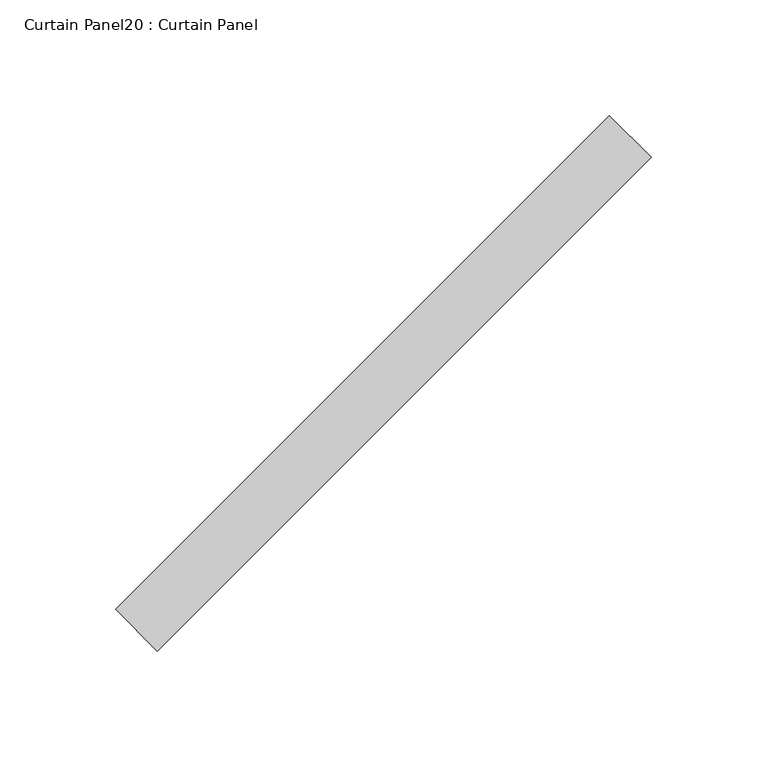
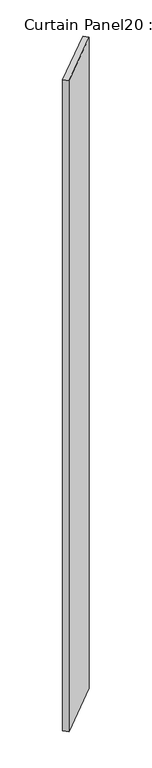
"""IFC4 building model written with IfcOpenShell, lengths in millimetres: plate geometry, Curtain Panel20 : Curtain Panel."""

from ifc_helpers import new_model, si_unit, frame, origin, place, context, project, spatial, polyline, outline, extrude, source, transform, mapped, element, save


def curtain_panel20_curtain_panel_ccedead5(model_context):
    return source(origin(), model_context, "Body", "SweptSolid", [
        extrude(outline(polyline([(63570.6621907, 2915.4091825), (63357.3811879, 2702.1281796), (63339.4206757, 2720.0886919), (63552.7016785, 2933.3696947), (63570.6621907, 2915.4091825)])), frame((0.0, 0.0, -994.8126169), z_axis=(0.0, 0.0, 1.0), x_axis=(1.0, 0.0, 0.0)), (0.0, 0.0, 1.0), 3048.0),
    ])


if __name__ == "__main__":
    model = new_model("IFC4")
    model_context = context("Model", 3, world=origin())
    ifc_project = project(units=[si_unit("LENGTHUNIT", "METRE", prefix="MILLI")], contexts=[model_context])
    site = spatial("IfcSite", under=ifc_project)
    building = spatial("IfcBuilding", under=site)
    placement = place(None, origin())
    curtain_panel20_curtain_panel_shape = curtain_panel20_curtain_panel_ccedead5(model_context)
    element("IfcPlate", 1, ObjectType="Curtain Panel20 : Curtain Panel", at=placement, inside=building, context=model_context, shape_type="MappedRepresentation", body=[
        mapped(curtain_panel20_curtain_panel_shape, transform((0.0, 0.0, 0.0), x_axis=(1.0, 0.0, 0.0), y_axis=(0.0, 1.0, 0.0), z_axis=(0.0, 0.0, 1.0))),
    ])
    save(model, "model.ifc")
